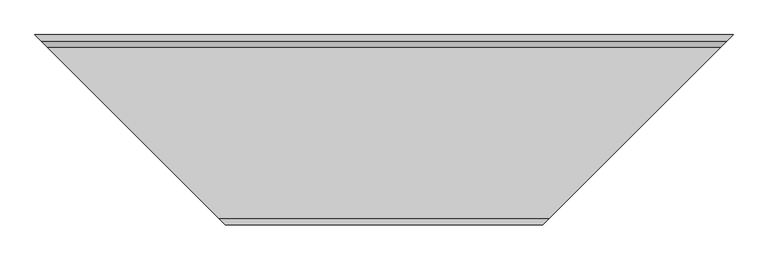
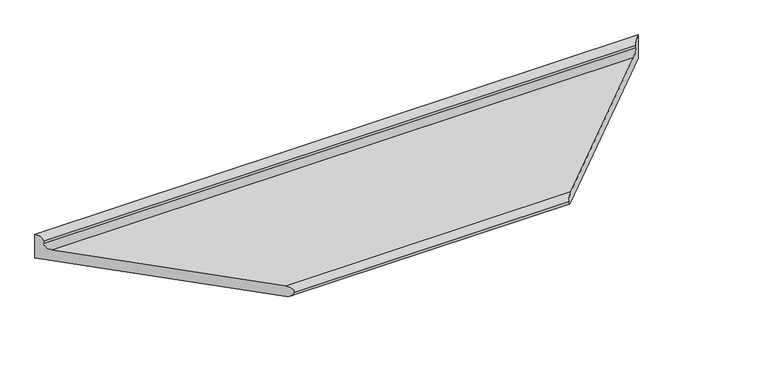
"""IFC4 building model written with IfcOpenShell, lengths in millimetres: furniture geometry."""

from ifc_helpers import new_model, si_unit, frame, origin, place, context, project, spatial, polyline, ellipse_curve, source, transform, mapped, element, save
from ifc_brep_helpers import plane_surface, cylinder_surface, revolved_surface, advanced_brep


def furniture_be26ff3e(model_context):
    return source(origin(), model_context, "Body", "AdvancedBrep", [
        advanced_brep(
        [(1664.6879632, -1145.0123633, 900.0), (2204.7003264, -605.0, 900.0), (84.7003264, -605.0, 900.0), (624.7126897, -1145.0123633, 900.0), (1644.7003264, -1165.0, 880.7031198), (644.7003264, -1165.0, 880.7031198), (44.7003264, -565.0, 860.0), (2244.7003264, -565.0, 860.0), (1664.6879632, -1145.0123633, 860.0), (624.7126897, -1145.0123633, 860.0), (44.7003264, -565.0, 950.0), (2244.7003264, -565.0, 950.0), (64.7003264, -585.0, 930.0), (2224.7003264, -585.0, 930.0), (2224.7003264, -585.0, 920.0), (64.7003264, -585.0, 920.0)],
        [
            (0, 1),
            (1, 2),
            (2, 3),
            (3, 0),
            (4, 0, ellipse_curve(frame((1664.6879632, -1145.0123633, 880.0), z_axis=(-0.707106781186547, 0.7071067811865481, 0.0), x_axis=(0.7071067811865478, 0.707106781186547, 0.0)), 28.2842712, 20.0)),
            (3, 5, ellipse_curve(frame((624.7126897, -1145.0123633, 880.0), z_axis=(0.7071067811865469, 0.7071067811865481, 0.0), x_axis=(0.7071067811865481, -0.7071067811865469, 0.0)), 28.2842712, 20.0)),
            (5, 4),
            (6, 7),
            (7, 8),
            (8, 9),
            (9, 6),
            (6, 10),
            (10, 11),
            (11, 7),
            (8, 4, ellipse_curve(frame((1664.6879632, -1145.0123633, 880.0), z_axis=(-0.707106781186547, 0.7071067811865481, 0.0), x_axis=(0.7071067811865478, 0.707106781186547, 0.0)), 28.2842712, 20.0)),
            (5, 9, ellipse_curve(frame((624.7126897, -1145.0123633, 880.0), z_axis=(0.7071067811865469, 0.7071067811865481, 0.0), x_axis=(0.7071067811865481, -0.7071067811865469, 0.0)), 28.2842712, 20.0)),
            (10, 12, ellipse_curve(frame((44.7003264, -565.0, 930.0), z_axis=(0.7071067811865469, 0.7071067811865481, 0.0), x_axis=(0.7071067811865481, -0.7071067811865469, 0.0)), 28.2842712, 20.0)),
            (12, 13),
            (13, 11, ellipse_curve(frame((2244.7003264, -565.0, 930.0), z_axis=(-0.707106781186547, 0.7071067811865481, 0.0), x_axis=(0.7071067811865478, 0.707106781186547, 0.0)), 28.2842712, 20.0)),
            (14, 13),
            (12, 15),
            (15, 14),
            (1, 14, ellipse_curve(frame((2204.7003264, -605.0, 920.0), z_axis=(0.707106781186547, -0.7071067811865481, 0.0), x_axis=(-0.7071067811865478, -0.707106781186547, 0.0)), 28.2842712, 20.0)),
            (15, 2, ellipse_curve(frame((84.7003264, -605.0, 920.0), z_axis=(-0.7071067811865469, -0.7071067811865481, 0.0), x_axis=(-0.7071067811865481, 0.7071067811865469, 0.0)), 28.2842712, 20.0)),
        ],
        [
            plane_surface(frame((2244.7003264, -605.0, 900.0), z_axis=(0.0, 0.0, 1.0), x_axis=(-1.0, 0.0, 0.0))),
            cylinder_surface(frame((44.7003264, -1145.0123633, 880.0), z_axis=(1.0, 0.0, 0.0), x_axis=(0.0, 1.0, 0.0)), 20.0),
            plane_surface(frame((2244.7003264, -1145.0123633, 860.0), z_axis=(0.0, 0.0, -1.0), x_axis=(-1.0, 0.0, 0.0))),
            plane_surface(frame((2244.7003264, -565.0, 860.0), z_axis=(0.0, 1.0, 0.0), x_axis=(-1.0, 0.0, 0.0))),
            cylinder_surface(frame((44.7003264, -565.0, 930.0), z_axis=(1.0, 0.0, 0.0), x_axis=(0.0, 1.0, 0.0)), 20.0),
            plane_surface(frame((2244.7003264, -585.0, 930.0), z_axis=(0.0, -1.0, 0.0), x_axis=(-1.0, 0.0, 0.0))),
            revolved_surface(polyline([(64.7003264, -585.0, 920.0), (2224.7003264, -585.0, 920.0)]), (44.7003264, -605.0, 920.0), (-1.0, 0.0, 0.0)),
            plane_surface(frame((2244.7003264, -565.0, 1003.1474494), z_axis=(0.707106781186547, -0.7071067811865481, 0.0), x_axis=(0.0, 0.0, -1.0))),
            plane_surface(frame((704.7003264, -1225.0, 1003.1474494), z_axis=(-0.7071067811865469, -0.7071067811865481, 0.0), x_axis=(0.0, 0.0, -1.0))),
        ],
        [
            (0, [[1, 2, 3, 4]]),
            (1, [[5, -4, 6, 7]]),
            (2, [[8, 9, 10, 11]]),
            (3, [[-8, 12, 13, 14]]),
            (1, [[15, -7, 16, -10]]),
            (4, [[-13, 17, 18, 19]]),
            (5, [[20, -18, 21, 22]]),
            (6, [[23, -22, 24, -2]]),
            (7, [[-1, -5, -15, -9, -14, -19, -20, -23]]),
            (8, [[-3, -24, -21, -17, -12, -11, -16, -6]]),
        ],
    ),
    ])


if __name__ == "__main__":
    model = new_model("IFC4")
    model_context = context("Model", 3, world=origin())
    ifc_project = project(units=[si_unit("LENGTHUNIT", "METRE", prefix="MILLI")], contexts=[model_context])
    site = spatial("IfcSite", under=ifc_project)
    building = spatial("IfcBuilding", under=site)
    placement = place(None, origin())
    furniture_shape = furniture_be26ff3e(model_context)
    element("IfcFurniture", 1, at=placement, inside=building, context=model_context, shape_type="MappedRepresentation", body=[
        mapped(furniture_shape, transform((0.0, 0.0, 0.0), x_axis=(1.0, 0.0, 0.0), y_axis=(0.0, 1.0, 0.0), z_axis=(0.0, 0.0, 1.0))),
    ])
    save(model, "model.ifc")
